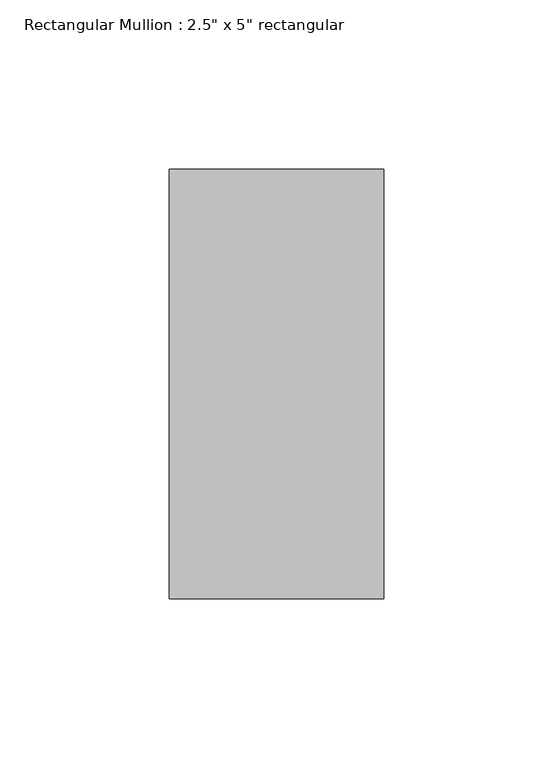
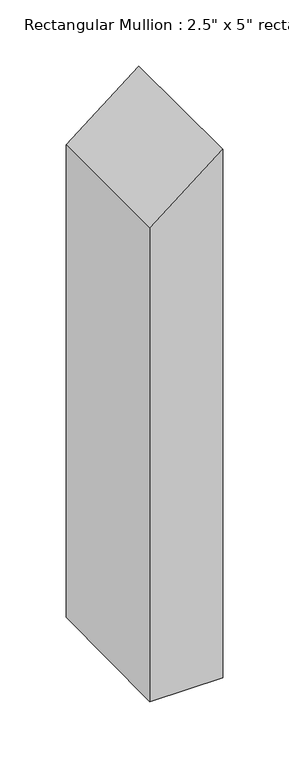
"""IFC4 building model written with IfcOpenShell, lengths in millimetres: member geometry."""

from ifc_helpers import new_model, si_unit, origin, place, context, project, spatial, faceted_brep, source, transform, mapped, element, save


def member_eeabe6e4(model_context):
    return source(origin(), model_context, "Body", "Brep", [
        faceted_brep([(-63.5, 63.5, -50.7209811), (0.0, 63.5, 0.0), (0.0, 63.5, -487.0712456), (-63.5, 63.5, -487.2775285), (-63.5, -63.5, -50.7209811), (-63.5, -63.5, -488.5883155), (0.0, -63.5, 0.0), (0.0, -63.5, -488.3820325)], [[[0, 1, 2, 3]], [[4, 0, 3, 5]], [[6, 4, 5, 7]], [[1, 6, 7, 2]], [[1, 0, 4, 6]], [[2, 7, 5, 3]]]),
    ])


if __name__ == "__main__":
    model = new_model("IFC4")
    model_context = context("Model", 3, world=origin())
    ifc_project = project(units=[si_unit("LENGTHUNIT", "METRE", prefix="MILLI")], contexts=[model_context])
    site = spatial("IfcSite", under=ifc_project)
    building = spatial("IfcBuilding", under=site)
    placement = place(None, origin())
    member_shape = member_eeabe6e4(model_context)
    element("IfcMember", 1, ObjectType="Rectangular Mullion : 2.5\" x 5\" rectangular", at=placement, inside=building, context=model_context, shape_type="MappedRepresentation", body=[
        mapped(member_shape, transform((0.0, 0.0, 0.0), x_axis=(1.0, 0.0, 0.0), y_axis=(0.0, 1.0, 0.0), z_axis=(0.0, 0.0, 1.0))),
    ])
    save(model, "model.ifc")
